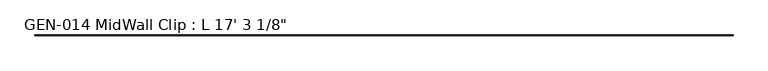
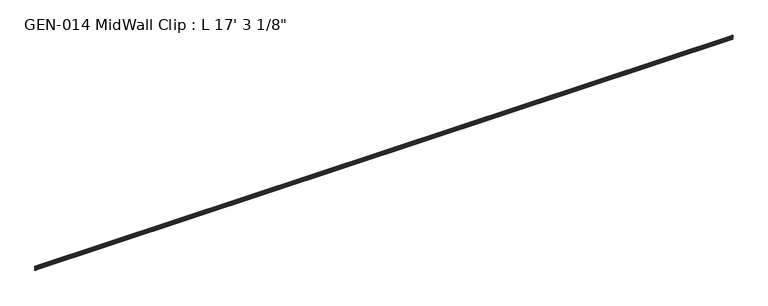
"""IFC4 building model written with IfcOpenShell, lengths in millimetres: proxy geometry."""

from ifc_helpers import new_model, si_unit, point, frame, frame_2d, origin, place, context, project, spatial, polyline, circle_curve, trimmed, segment, composite_curve, outline, extrude, source, transform, mapped, element, save


def proxy_8e619bad(model_context):
    return source(origin(), model_context, "Body", "SweptSolid", [
        extrude(outline(composite_curve([segment(polyline([(2.1386113, 32.1158903), (3.9735584, 32.6885982)]), True, "CONTINUOUS"), segment(trimmed(circle_curve(frame_2d((4.1838513, 32.2686835)), 0.4696291), [point((3.9735584, 32.6885982))], [point((4.6534804, 32.2686835))], False, "CARTESIAN"), True, "CONTINUOUS"), segment(polyline([(4.6534804, 32.2686835), (4.6534804, 30.7270734)]), True, "CONTINUOUS"), segment(trimmed(circle_curve(frame_2d((6.2409804, 30.7270734)), 1.5875), [point((4.6534804, 30.7270734))], [point((6.2409804, 29.1395734))], True, "CARTESIAN"), True, "CONTINUOUS"), segment(polyline([(6.2409804, 29.1395734), (7.5485426, 29.1395734), (7.5485426, 0.0), (4.055874, 0.0), (4.055874, 1.6102595)]), True, "CONTINUOUS"), segment(trimmed(circle_curve(frame_2d((4.0560426, 3.5152595)), 1.905), [point((4.055874, 1.6102595))], [point((5.9610426, 3.5152595))], True, "CARTESIAN"), True, "CONTINUOUS"), segment(polyline([(5.9610426, 3.5152595), (5.9610426, 4.6343152), (5.9610426, 12.4909614), (6.4702065, 13.408381), (6.4702065, 14.7485418), (5.9610426, 15.6659614), (5.9610426, 26.8535734)]), True, "CONTINUOUS"), segment(trimmed(circle_curve(frame_2d((5.4530426, 26.8535734)), 0.508), [point((5.9610426, 26.8535734))], [point((5.4361592, 27.3612928))], True, "CARTESIAN"), True, "CONTINUOUS"), segment(trimmed(circle_curve(frame_2d((5.4154804, 26.5995734)), 0.762), [point((5.4361592, 27.3612928))], [point((4.6764599, 26.4138515))], True, "CARTESIAN"), True, "CONTINUOUS"), segment(trimmed(circle_curve(frame_2d((4.1230664, 26.2747792)), 0.5706009), [point((4.6764599, 26.4138515))], [point((3.9349539, 25.7360779))], False, "CARTESIAN"), True, "CONTINUOUS"), segment(polyline([(3.9349539, 25.7360779), (2.1386113, 26.2967369)]), True, "CONTINUOUS"), segment(trimmed(circle_curve(frame_2d((3.0467234, 29.2063136)), 3.048), [point((2.1386113, 26.2967369))], [point((0.4447727, 30.7938136))], False, "CARTESIAN"), True, "CONTINUOUS"), segment(trimmed(circle_curve(frame_2d((3.0467234, 29.2063136)), 3.048), [point((0.4447727, 30.7938136))], [point((2.1386113, 32.1158903))], False, "CARTESIAN"), True, "CONTINUOUS")], self_intersect=False)), frame((-4956.175, 0.0, 0.0), z_axis=(1.0, 0.0, 0.0), x_axis=(0.0, 1.0, 0.0)), (0.0, 0.0, 1.0), 5260.975),
    ])


if __name__ == "__main__":
    model = new_model("IFC4")
    model_context = context("Model", 3, world=origin())
    ifc_project = project(units=[si_unit("LENGTHUNIT", "METRE", prefix="MILLI")], contexts=[model_context])
    site = spatial("IfcSite", under=ifc_project)
    building = spatial("IfcBuilding", under=site)
    placement = place(None, origin())
    proxy_shape = proxy_8e619bad(model_context)
    element("IfcBuildingElementProxy", 1, Name="GEN-014 MidWall Clip : L 17' 3 1/8\"", ObjectType="GEN-014 MidWall Clip : L 17' 3 1/8\"", at=placement, inside=building, context=model_context, shape_type="MappedRepresentation", body=[
        mapped(proxy_shape, transform((0.0, 0.0, 0.0), x_axis=(1.0, 0.0, 0.0), y_axis=(0.0, 1.0, 0.0), z_axis=(0.0, 0.0, 1.0))),
    ])
    save(model, "model.ifc")
